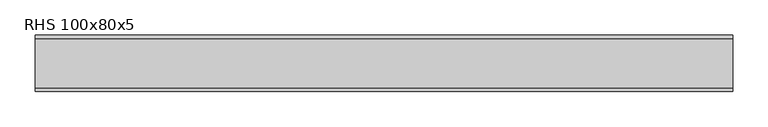
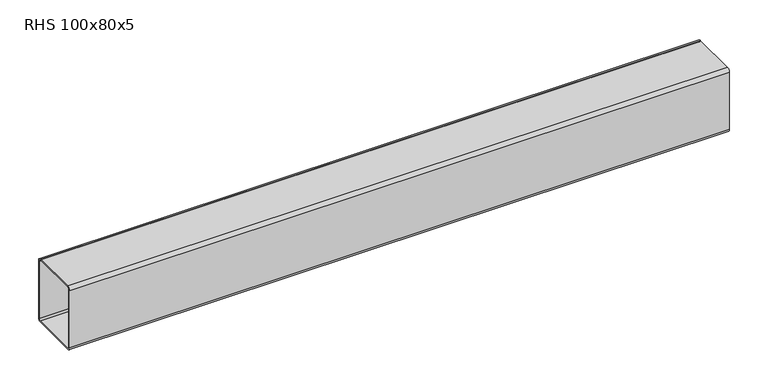
"""IFC4 building model written with IfcOpenShell, lengths in millimetres: beam geometry, RHS 100x80x5."""

from ifc_helpers import new_model, si_unit, point, frame, frame_2d, origin, place, context, project, spatial, polyline, circle_curve, trimmed, segment, composite_curve, outline, extrude, source, transform, mapped, element, save


def rhs_100x80x5_21b849b7(model_context):
    return source(origin(), model_context, "Body", "SweptSolid", [
        extrude(outline(composite_curve([segment(polyline([(40.0, 45.0), (40.0, -45.0)]), True, "CONTINUOUS"), segment(trimmed(circle_curve(frame_2d((35.0, -45.0)), 5.0), [point((40.0, -45.0))], [point((35.0, -50.0))], False, "CARTESIAN"), True, "CONTINUOUS"), segment(polyline([(35.0, -50.0), (-35.0, -50.0)]), True, "CONTINUOUS"), segment(trimmed(circle_curve(frame_2d((-35.0, -45.0)), 5.0), [point((-35.0, -50.0))], [point((-40.0, -45.0))], False, "CARTESIAN"), True, "CONTINUOUS"), segment(polyline([(-40.0, -45.0), (-40.0, 45.0)]), True, "CONTINUOUS"), segment(trimmed(circle_curve(frame_2d((-35.0, 45.0)), 5.0), [point((-40.0, 45.0))], [point((-35.0, 50.0))], False, "CARTESIAN"), True, "CONTINUOUS"), segment(polyline([(-35.0, 50.0), (35.0, 50.0)]), True, "CONTINUOUS"), segment(trimmed(circle_curve(frame_2d((35.0, 45.0)), 5.0), [point((35.0, 50.0))], [point((40.0, 45.0))], False, "CARTESIAN"), True, "CONTINUOUS")], self_intersect=False), holes=[composite_curve([segment(trimmed(circle_curve(frame_2d((-35.0, 45.0)), 2.5), [point((-35.0, 47.5))], [point((-37.5, 45.0))], True, "CARTESIAN"), True, "CONTINUOUS"), segment(polyline([(-37.5, 45.0), (-37.5, -45.0)]), True, "CONTINUOUS"), segment(trimmed(circle_curve(frame_2d((-35.0, -45.0)), 2.5), [point((-37.5, -45.0))], [point((-35.0, -47.5))], True, "CARTESIAN"), True, "CONTINUOUS"), segment(polyline([(-35.0, -47.5), (35.0, -47.5)]), True, "CONTINUOUS"), segment(trimmed(circle_curve(frame_2d((35.0, -45.0)), 2.5), [point((35.0, -47.5))], [point((37.5, -45.0))], True, "CARTESIAN"), True, "CONTINUOUS"), segment(polyline([(37.5, -45.0), (37.5, 45.0)]), True, "CONTINUOUS"), segment(trimmed(circle_curve(frame_2d((35.0, 45.0)), 2.5), [point((37.5, 45.0))], [point((35.0, 47.5))], True, "CARTESIAN"), True, "CONTINUOUS"), segment(polyline([(35.0, 47.5), (-35.0, 47.5)]), True, "CONTINUOUS")], self_intersect=False)]), frame((-500.1012534, 0.0, 0.0), z_axis=(1.0, 0.0, 0.0), x_axis=(0.0, 1.0, 0.0)), (0.0, 0.0, 1.0), 987.3582915),
    ])


if __name__ == "__main__":
    model = new_model("IFC4")
    model_context = context("Model", 3, world=origin())
    ifc_project = project(units=[si_unit("LENGTHUNIT", "METRE", prefix="MILLI")], contexts=[model_context])
    site = spatial("IfcSite", under=ifc_project)
    building = spatial("IfcBuilding", under=site)
    placement = place(None, origin())
    rhs_100x80x5_shape = rhs_100x80x5_21b849b7(model_context)
    element("IfcBeam", 1, ObjectType="RHS 100x80x5", at=placement, inside=building, context=model_context, shape_type="MappedRepresentation", body=[
        mapped(rhs_100x80x5_shape, transform((0.0, 0.0, 0.0), x_axis=(1.0, 0.0, 0.0), y_axis=(0.0, 1.0, 0.0), z_axis=(0.0, 0.0, 1.0))),
    ])
    save(model, "model.ifc")
